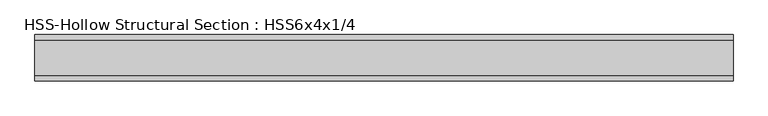
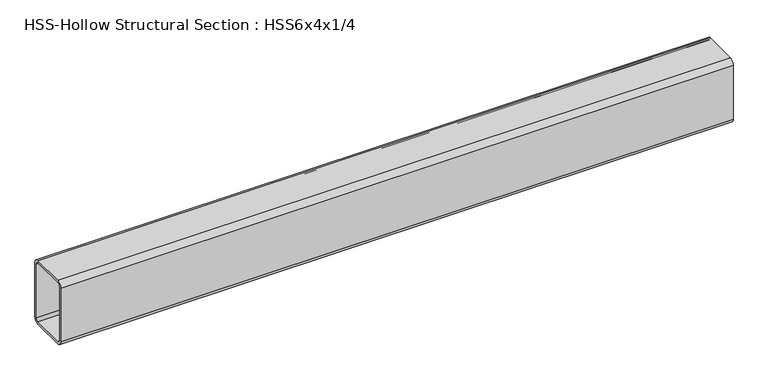
"""IFC4 building model written with IfcOpenShell, lengths in millimetres: beam geometry, HSS-Hollow Structural Section : HSS6x4x1/4."""

from ifc_helpers import new_model, si_unit, point, frame, frame_2d, origin, place, context, project, spatial, polyline, circle_curve, trimmed, segment, composite_curve, outline, extrude, source, transform, mapped, element, save


def hss_hollow_structural_section_hss6x4x1_4_7e0f33b8(model_context):
    return source(origin(), model_context, "Body", "SweptSolid", [
        extrude(outline(composite_curve([segment(polyline([(50.8, 64.3636), (50.8, -64.3636)]), True, "CONTINUOUS"), segment(trimmed(circle_curve(frame_2d((38.9636, -64.3636)), 11.8364), [point((50.8, -64.3636))], [point((38.9636, -76.2))], False, "CARTESIAN"), True, "CONTINUOUS"), segment(polyline([(38.9636, -76.2), (-38.9636, -76.2)]), True, "CONTINUOUS"), segment(trimmed(circle_curve(frame_2d((-38.9636, -64.3636)), 11.8364), [point((-38.9636, -76.2))], [point((-50.8, -64.3636))], False, "CARTESIAN"), True, "CONTINUOUS"), segment(polyline([(-50.8, -64.3636), (-50.8, 64.3636)]), True, "CONTINUOUS"), segment(trimmed(circle_curve(frame_2d((-38.9636, 64.3636)), 11.8364), [point((-50.8, 64.3636))], [point((-38.9636, 76.2))], False, "CARTESIAN"), True, "CONTINUOUS"), segment(polyline([(-38.9636, 76.2), (38.9636, 76.2)]), True, "CONTINUOUS"), segment(trimmed(circle_curve(frame_2d((38.9636, 64.3636)), 11.8364), [point((38.9636, 76.2))], [point((50.8, 64.3636))], False, "CARTESIAN"), True, "CONTINUOUS")], self_intersect=False), holes=[composite_curve([segment(trimmed(circle_curve(frame_2d((-38.9636, 64.3636)), 5.9182), [point((-38.9636, 70.2818))], [point((-44.8818, 64.3636))], True, "CARTESIAN"), True, "CONTINUOUS"), segment(polyline([(-44.8818, 64.3636), (-44.8818, -64.3636)]), True, "CONTINUOUS"), segment(trimmed(circle_curve(frame_2d((-38.9636, -64.3636)), 5.9182), [point((-44.8818, -64.3636))], [point((-38.9636, -70.2818))], True, "CARTESIAN"), True, "CONTINUOUS"), segment(polyline([(-38.9636, -70.2818), (38.9636, -70.2818)]), True, "CONTINUOUS"), segment(trimmed(circle_curve(frame_2d((38.9636, -64.3636)), 5.9182), [point((38.9636, -70.2818))], [point((44.8818, -64.3636))], True, "CARTESIAN"), True, "CONTINUOUS"), segment(polyline([(44.8818, -64.3636), (44.8818, 64.3636)]), True, "CONTINUOUS"), segment(trimmed(circle_curve(frame_2d((38.9636, 64.3636)), 5.9182), [point((44.8818, 64.3636))], [point((38.9636, 70.2818))], True, "CARTESIAN"), True, "CONTINUOUS"), segment(polyline([(38.9636, 70.2818), (-38.9636, 70.2818)]), True, "CONTINUOUS")], self_intersect=False)]), frame((-763.5875, 0.0, 0.0), z_axis=(1.0, 0.0, 0.0), x_axis=(0.0, 1.0, 0.0)), (0.0, 0.0, 1.0), 1527.175),
    ])


if __name__ == "__main__":
    model = new_model("IFC4")
    model_context = context("Model", 3, world=origin())
    ifc_project = project(units=[si_unit("LENGTHUNIT", "METRE", prefix="MILLI")], contexts=[model_context])
    site = spatial("IfcSite", under=ifc_project)
    building = spatial("IfcBuilding", under=site)
    placement = place(None, origin())
    hss_hollow_structural_section_hss6x4x1_4_shape = hss_hollow_structural_section_hss6x4x1_4_7e0f33b8(model_context)
    element("IfcBeam", 1, ObjectType="HSS-Hollow Structural Section : HSS6x4x1/4", at=placement, inside=building, context=model_context, shape_type="MappedRepresentation", body=[
        mapped(hss_hollow_structural_section_hss6x4x1_4_shape, transform((0.0, 0.0, 0.0), x_axis=(1.0, 0.0, 0.0), y_axis=(0.0, 1.0, 0.0), z_axis=(0.0, 0.0, 1.0))),
    ])
    save(model, "model.ifc")
